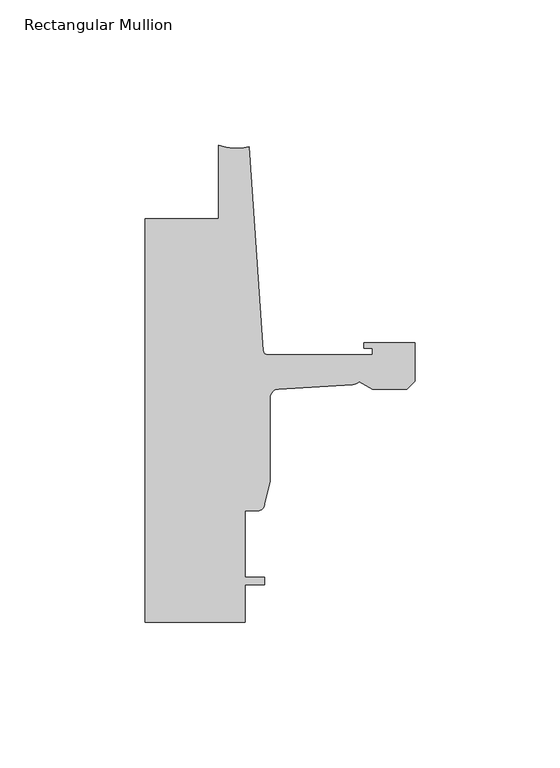
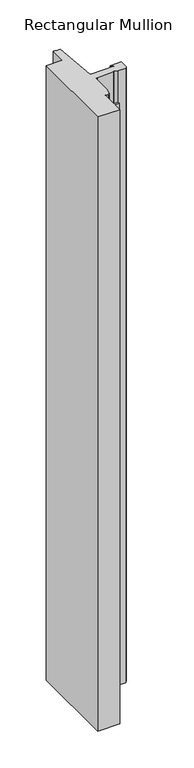
"""IFC4 building model written with IfcOpenShell, lengths in millimetres: member geometry, Rectangular Mullion."""

from ifc_helpers import new_model, si_unit, point, frame, frame_2d, origin, place, context, project, spatial, polyline, circle_curve, trimmed, segment, composite_curve, outline, extrude, source, transform, mapped, element, save


def rectangular_mullion_cdc12089(model_context):
    return source(origin(), model_context, "Body", "SweptSolid", [
        extrude(outline(composite_curve([segment(polyline([(-93.2286109, -12.7), (-67.8287241, -12.7), (-67.8287241, 12.7004525)]), True, "CONTINUOUS"), segment(trimmed(circle_curve(frame_2d((-61.5737839, 28.2335325)), 16.7451739), [point((-67.8287241, 12.7004525))], [point((-57.2987656, 12.0432555))], True, "CARTESIAN"), True, "CONTINUOUS"), segment(polyline([(-57.2987656, 12.0432555), (-52.3871825, -58.1956563)]), True, "CONTINUOUS"), segment(trimmed(circle_curve(frame_2d((-50.8668948, -58.0893475)), 1.524), [point((-52.3871825, -58.1956563))], [point((-50.8668948, -59.6133475))], True, "CARTESIAN"), True, "CONTINUOUS"), segment(polyline([(-50.8668948, -59.6133475), (-14.783487, -59.6133475), (-14.783487, -57.2765474), (-17.6377748, -57.2765474), (-17.6377748, -55.4985474), (0.0, -55.4985474), (0.0, -68.6550602), (-2.845487, -71.5005472), (-14.7368542, -71.5005472), (-19.2689815, -68.8839223)]), True, "CONTINUOUS"), segment(trimmed(circle_curve(frame_2d((-21.6202542, -66.7503474)), 3.175), [point((-19.2689815, -68.8839223))], [point((-21.6202542, -69.9253474))], False, "CARTESIAN"), True, "CONTINUOUS"), segment(polyline([(-21.6202542, -69.9253474), (-47.0897067, -71.4433707)]), True, "CONTINUOUS"), segment(trimmed(circle_curve(frame_2d((-46.9265, -74.6141732)), 3.175), [point((-47.0897067, -71.4433707))], [point((-50.1015, -74.6141732))], True, "CARTESIAN"), True, "CONTINUOUS"), segment(polyline([(-50.1015, -74.6141732), (-50.1015, -103.3256605), (-51.8795003, -110.9077484)]), True, "CONTINUOUS"), segment(trimmed(circle_curve(frame_2d((-54.4195002, -110.9077484)), 2.5399999), [point((-51.8795003, -110.9077484))], [point((-54.4195002, -113.4477483))], False, "CARTESIAN"), True, "CONTINUOUS"), segment(polyline([(-54.4195002, -113.4477483), (-58.7375, -113.4477483), (-58.7375, -136.3077483), (-51.8795003, -136.3077483), (-51.8795003, -138.8477483), (-58.7375, -138.8477483), (-58.7375, -151.8915475), (-93.2286109, -151.8915475), (-93.2286109, -12.7)]), True, "CONTINUOUS")], self_intersect=False)), frame((0.0, 0.0, -1017.5045111), z_axis=(0.0, 0.0, 1.0), x_axis=(1.0, 0.0, 0.0)), (0.0, 0.0, 1.0), 1017.5045111),
    ])


if __name__ == "__main__":
    model = new_model("IFC4")
    model_context = context("Model", 3, world=origin())
    ifc_project = project(units=[si_unit("LENGTHUNIT", "METRE", prefix="MILLI")], contexts=[model_context])
    site = spatial("IfcSite", under=ifc_project)
    building = spatial("IfcBuilding", under=site)
    placement = place(None, origin())
    rectangular_mullion_shape = rectangular_mullion_cdc12089(model_context)
    element("IfcMember", 1, ObjectType="Rectangular Mullion", at=placement, inside=building, context=model_context, shape_type="MappedRepresentation", body=[
        mapped(rectangular_mullion_shape, transform((0.0, 0.0, 0.0), x_axis=(1.0, 0.0, 0.0), y_axis=(0.0, 1.0, 0.0), z_axis=(0.0, 0.0, 1.0))),
    ])
    save(model, "model.ifc")
